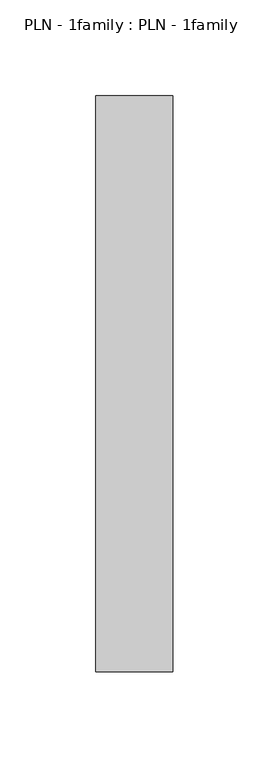
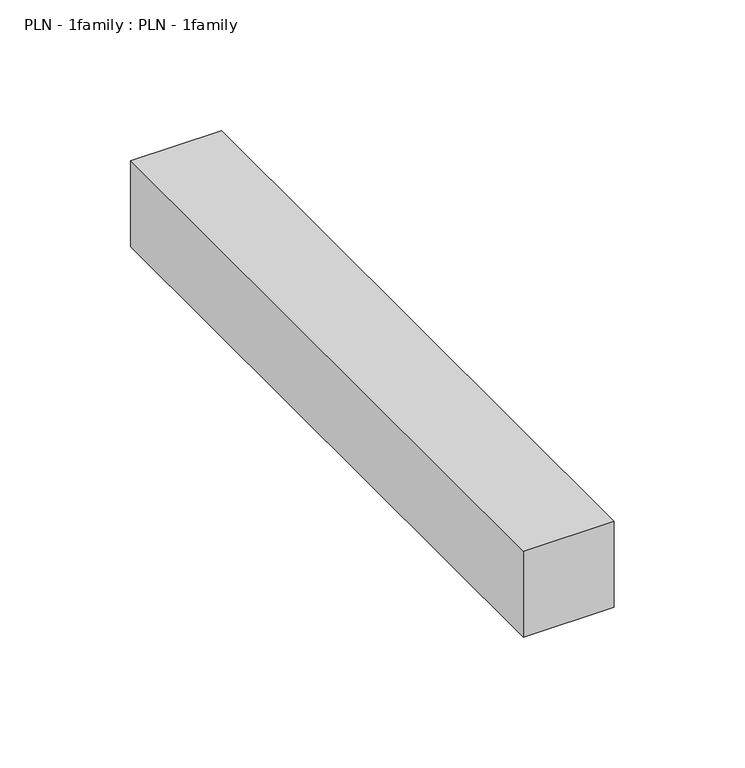
"""IFC4 building model written with IfcOpenShell, lengths in millimetres: proxy geometry, PLN - 1family : PLN - 1family."""

import ifcopenshell
import ifcopenshell.guid

model = None  # the IFC model being written
_history = None  # IfcOwnerHistory: only IFC2X3 demands one
_inside = {}  # id of a spatial element -> (the spatial element, [elements in it])
_under = {}  # id of a project, library or spatial element -> (it, [spatial elements below it])
_declared = {}  # id of a project -> (the project, [libraries it declares])
_typed = {}  # id of a type object -> (the type object, [elements of that type])
_made_of = {}  # id of a material, layer set ... -> (it, [elements and type objects made of it])


def new_model(schema):
    """Start an empty IFC model of exactly this schema.

    Asked for "IFC4X3", IfcOpenShell would pick the latest addendum, in which some entities
    have other attributes; the version numbers below select the first issue.
    IFC2X3 requires an IfcOwnerHistory on every rooted entity: one is made here for all.
    """
    global model, _history
    if schema == "IFC4X3":
        model = ifcopenshell.file(schema_version=(4, 3, 0, 0))
    else:
        model = ifcopenshell.file(schema=schema)
    _inside.clear()
    _under.clear()
    _declared.clear()
    _typed.clear()
    _made_of.clear()
    _history = None
    if model.schema == "IFC2X3":
        org = make("IfcOrganization", Name="unknown")
        user = make(
            "IfcPersonAndOrganization",
            ThePerson=make("IfcPerson", FamilyName="unknown"),
            TheOrganization=org,
        )
        app = make(
            "IfcApplication",
            ApplicationDeveloper=org,
            Version="unknown",
            ApplicationFullName="unknown",
            ApplicationIdentifier="unknown",
        )
        _history = make(
            "IfcOwnerHistory",
            OwningUser=user,
            OwningApplication=app,
            ChangeAction="ADDED",
            CreationDate=0,
        )
    return model


def make(cls, **values):
    """One entity of the class cls with the attributes given. An attribute that is None is left unset."""
    return model.create_entity(
        cls, **{name: value for name, value in values.items() if value is not None}
    )


def rooted(cls, **values):
    """An entity with a GlobalId (a new one), such as an element, a storey or a relation."""
    return make(cls, GlobalId=ifcopenshell.guid.new(), OwnerHistory=_history, **values)


def si_unit(unit_type, name, prefix=None):
    """IfcSIUnit, for example si_unit("LENGTHUNIT", "METRE", prefix="MILLI")."""
    return make("IfcSIUnit", UnitType=unit_type, Prefix=prefix, Name=name)


def assignment(units):
    """IfcUnitAssignment: the units of a project."""
    return None if units is None else make("IfcUnitAssignment", Units=units)


def point(xyz):
    """IfcCartesianPoint."""
    return None if xyz is None else make("IfcCartesianPoint", Coordinates=xyz)


def direction(xyz):
    """IfcDirection."""
    return None if xyz is None else make("IfcDirection", DirectionRatios=xyz)


def frame(location, z_axis=None, x_axis=None):
    """IfcAxis2Placement3D, a coordinate frame: its origin and axes. An axis left out is left unset."""
    return make(
        "IfcAxis2Placement3D",
        Location=point(location),
        Axis=direction(z_axis),
        RefDirection=direction(x_axis),
    )


def origin():
    """The frame at (0, 0, 0) with its axes left unset."""
    return frame((0.0, 0.0, 0.0))


def place(relative_to, where):
    """IfcLocalPlacement: puts the frame where relative to a parent placement (None: the world)."""
    return make(
        "IfcLocalPlacement", PlacementRelTo=relative_to, RelativePlacement=where
    )


def context(
    kind, dimensions, precision=None, world=None, true_north=None, identifier=None
):
    """IfcGeometricRepresentationContext, for example the 3D "Model" context."""
    return make(
        "IfcGeometricRepresentationContext",
        ContextIdentifier=identifier,
        ContextType=kind,
        CoordinateSpaceDimension=dimensions,
        Precision=precision,
        WorldCoordinateSystem=world,
        TrueNorth=true_north,
    )


def project(units=None, contexts=None):
    """IfcProject with its units and contexts."""
    return rooted(
        "IfcProject",
        Name="project",
        RepresentationContexts=contexts,
        UnitsInContext=assignment(units),
    )


def spatial(cls, under=None, at=None, **own):
    """A site, building, storey or space (cls), placed at a placement, below another one or the project."""
    s = rooted(cls, ObjectPlacement=at, **own)
    if under is not None:
        _under.setdefault(under.id(), (under, []))[1].append(s)
    return s


def polyline(points):
    """IfcPolyline through the points."""
    return make("IfcPolyline", Points=[point(p) for p in points])


def outline(outer, holes=None, kind="AREA"):
    """IfcArbitraryClosedProfileDef: a profile drawn as a closed curve; with holes, ...WithVoids."""
    if holes is None:
        return make("IfcArbitraryClosedProfileDef", ProfileType=kind, OuterCurve=outer)
    return make(
        "IfcArbitraryProfileDefWithVoids",
        ProfileType=kind,
        OuterCurve=outer,
        InnerCurves=holes,
    )


def extrude(swept, where, along, depth):
    """IfcExtrudedAreaSolid: the profile swept, set in the frame where, extruded along a direction by depth."""
    return make(
        "IfcExtrudedAreaSolid",
        SweptArea=swept,
        Position=where,
        ExtrudedDirection=direction(along),
        Depth=depth,
    )


def shape(context_of_items, identifier, shape_type, items):
    """IfcShapeRepresentation: the items that make up one representation, for example the "Body"."""
    return make(
        "IfcShapeRepresentation",
        ContextOfItems=context_of_items,
        RepresentationIdentifier=identifier,
        RepresentationType=shape_type,
        Items=items,
    )


def source(mapping_origin, context_of_items, identifier, shape_type, items):
    """IfcRepresentationMap: a shape defined once, which mapped items show again and again."""
    return make(
        "IfcRepresentationMap",
        MappingOrigin=mapping_origin,
        MappedRepresentation=shape(context_of_items, identifier, shape_type, items),
    )


def transform(
    local_origin,
    x_axis=None,
    y_axis=None,
    z_axis=None,
    scale=None,
    scale2=None,
    scale3=None,
    uniform=True,
):
    """IfcCartesianTransformationOperator3D, or its non-uniform kind. x_axis, y_axis, z_axis: its Axis1, 2, 3."""
    if uniform:
        return make(
            "IfcCartesianTransformationOperator3D",
            Axis1=direction(x_axis),
            Axis2=direction(y_axis),
            LocalOrigin=point(local_origin),
            Scale=scale,
            Axis3=direction(z_axis),
        )
    return make(
        "IfcCartesianTransformationOperator3DnonUniform",
        Axis1=direction(x_axis),
        Axis2=direction(y_axis),
        LocalOrigin=point(local_origin),
        Scale=scale,
        Axis3=direction(z_axis),
        Scale2=scale2,
        Scale3=scale3,
    )


def mapped(mapping_source, mapping_target):
    """IfcMappedItem: shows the shape of a source again, moved by a transform."""
    return make(
        "IfcMappedItem", MappingSource=mapping_source, MappingTarget=mapping_target
    )


def made_of(thing, what):
    """Note that an element or type object is made of a material, layer set ...; save() writes the relation."""
    if what is not None:
        _made_of.setdefault(what.id(), (what, []))[1].append(thing)
    return thing


def element(
    cls,
    number,
    at=None,
    inside=None,
    cuts=None,
    type_object=None,
    material=None,
    context=None,
    identifier="Body",
    shape_type=None,
    held_by="IfcProductDefinitionShape",
    body=None,
    shapes=None,
    **own,
):
    """One element of the class cls, such as IfcWall. Its Tag is "e" and its number.

    at: its placement. inside: the storey or other place that contains it. cuts: it is an
    opening in that element (IfcRelVoidsElement). A single representation is given by context,
    identifier, shape_type and body (its items); several are given by shapes. held_by: the class
    of the entity that holds the representations. save() writes the other relations.
    """
    e = rooted(cls, Tag="e%d" % number, ObjectPlacement=at, **own)
    if body is not None:
        shapes = [shape(context, identifier, shape_type, body)]
    if shapes is not None:
        e.Representation = make(held_by, Representations=shapes)
    if inside is not None:
        _inside.setdefault(inside.id(), (inside, []))[1].append(e)
    if cuts is not None:
        rooted(
            "IfcRelVoidsElement", RelatingBuildingElement=cuts, RelatedOpeningElement=e
        )
    if type_object is not None:
        _typed.setdefault(type_object.id(), (type_object, []))[1].append(e)
    return made_of(e, material)


def aggregate(whole, parts):
    """IfcRelAggregates: a whole, such as a stair, and the parts it consists of."""
    return rooted("IfcRelAggregates", RelatingObject=whole, RelatedObjects=parts)


def save(model, path):
    """Write the relations noted so far, then the file.

    IfcRelAggregates (storeys below a building ...), IfcRelContainedInSpatialStructure (elements
    in a storey), IfcRelDefinesByType, IfcRelAssociatesMaterial and IfcRelDeclares: one each for
    every whole, place, type object, material and project.
    """
    for whole, parts in _under.values():
        aggregate(whole, parts)
    for where, things in _inside.values():
        rooted(
            "IfcRelContainedInSpatialStructure",
            RelatedElements=things,
            RelatingStructure=where,
        )
    for kind, things in _typed.values():
        rooted("IfcRelDefinesByType", RelatedObjects=things, RelatingType=kind)
    for what, things in _made_of.values():
        rooted("IfcRelAssociatesMaterial", RelatedObjects=things, RelatingMaterial=what)
    for by, libraries in _declared.values():
        rooted("IfcRelDeclares", RelatingContext=by, RelatedDefinitions=libraries)
    model.write(path)


def pln_1family_pln_1family_26808da2(model_context):
    return source(origin(), model_context, "Body", "SweptSolid", [
        extrude(outline(polyline([(0.0, 300.0), (40.0, 300.0), (40.0, 0.0), (0.0, 0.0), (0.0, 300.0)])), frame((0.0, 0.0, 400.0), z_axis=(0.0, 0.0, 1.0), x_axis=(1.0, 0.0, 0.0)), (0.0, 0.0, 1.0), 40.0),
    ])


if __name__ == "__main__":
    model = new_model("IFC4")
    model_context = context("Model", 3, world=origin())
    ifc_project = project(units=[si_unit("LENGTHUNIT", "METRE", prefix="MILLI")], contexts=[model_context])
    site = spatial("IfcSite", under=ifc_project)
    building = spatial("IfcBuilding", under=site)
    placement = place(None, origin())
    pln_1family_pln_1family_shape = pln_1family_pln_1family_26808da2(model_context)
    element("IfcBuildingElementProxy", 1, Name="PLN - 1family : PLN - 1family", ObjectType="PLN - 1family : PLN - 1family", at=placement, inside=building, context=model_context, shape_type="MappedRepresentation", body=[
        mapped(pln_1family_pln_1family_shape, transform((0.0, 0.0, 0.0), x_axis=(1.0, 0.0, 0.0), y_axis=(0.0, 1.0, 0.0), z_axis=(0.0, 0.0, 1.0))),
    ])
    save(model, "model.ifc")
